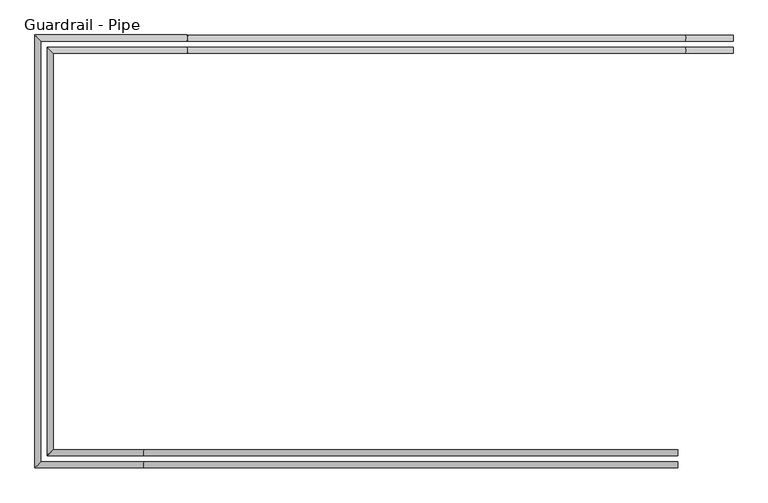
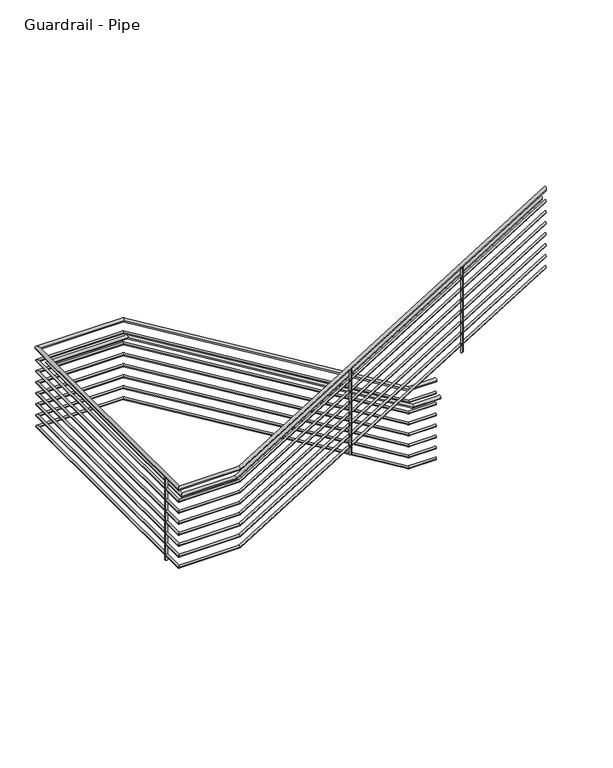
"""IFC4 building model written with IfcOpenShell, lengths in millimetres: railing geometry, Guardrail - Pipe."""

from ifc_helpers import new_model, si_unit, point, frame, frame_2d, origin, place, context, project, spatial, circle_curve, ellipse_curve, trimmed, segment, composite_curve, outline, extrude, source, transform, mapped, element, save
from ifc_brep_helpers import plane_surface, cylinder_surface, advanced_brep


def guardrail_pipe_35ee3cf1(model_context):
    return source(origin(), model_context, "Body", "SolidModel", [
        advanced_brep(
        [(-10251.0564309, 4025.1651259, 1047.75), (-10251.0564309, 4063.2651259, 1047.75), (-10552.0376568, 4025.1651259, 1047.75), (-10552.0376568, 4063.2651259, 1047.75), (-13675.7379987, 4025.1651259, 2942.8108696), (-13675.7379987, 4063.2651259, 2942.8108696), (-14591.1612561, 4025.1651259, 2942.8108696), (-14629.2612561, 4063.2651259, 2942.8108696), (-14591.1612561, 1386.0904418, 2942.8108696), (-14629.2612561, 1347.9904418, 2942.8108696), (-13944.4102309, 1386.0904418, 2942.8108696), (-13944.4102309, 1347.9904418, 2942.8108696), (-10597.0112561, 1386.0904418, 5006.8197236), (-10597.0112561, 1347.9904418, 5006.8197236)],
        [
            (0, 1, circle_curve(frame((-10251.0564309, 4044.2151259, 1047.75), z_axis=(1.0, 0.0, 0.0), x_axis=(0.0, 1.0, 0.0)), 19.05)),
            (1, 0, circle_curve(frame((-10251.0564309, 4044.2151259, 1047.75), z_axis=(1.0, 0.0, 0.0), x_axis=(0.0, 1.0, 0.0)), 19.05)),
            (0, 2),
            (2, 3, ellipse_curve(frame((-10552.0376568, 4044.2151259, 1047.75), z_axis=(0.9630592220508967, 0.0, -0.269289685696875), x_axis=(0.2692896856968749, 0.0, 0.9630592220508967)), 19.780715, 19.05)),
            (3, 1),
            (3, 2, ellipse_curve(frame((-10552.0376568, 4044.2151259, 1047.75), z_axis=(0.9630592220508967, 0.0, -0.269289685696875), x_axis=(0.2692896856968749, 0.0, 0.9630592220508967)), 19.780715, 19.05)),
            (2, 4),
            (4, 5, ellipse_curve(frame((-13675.7379987, 4044.2151259, 2942.8108696), z_axis=(0.9630592220508967, 0.0, -0.269289685696875), x_axis=(-0.2692896856968753, 0.0, -0.9630592220508964)), 19.780715, 19.05)),
            (5, 3),
            (5, 4, ellipse_curve(frame((-13675.7379987, 4044.2151259, 2942.8108696), z_axis=(0.9630592220508967, 0.0, -0.269289685696875), x_axis=(-0.2692896856968753, 0.0, -0.9630592220508964)), 19.780715, 19.05)),
            (4, 6),
            (6, 7, ellipse_curve(frame((-14610.2112561, 4044.2151259, 2942.8108696), z_axis=(0.7071067811865449, 0.70710678118655, 0.0), x_axis=(0.7071067811865501, -0.7071067811865448, 0.0)), 26.9407684, 19.05)),
            (7, 5),
            (7, 6, ellipse_curve(frame((-14610.2112561, 4044.2151259, 2942.8108696), z_axis=(0.7071067811865449, 0.70710678118655, 0.0), x_axis=(0.7071067811865501, -0.7071067811865448, 0.0)), 26.9407684, 19.05)),
            (6, 8),
            (8, 9, ellipse_curve(frame((-14610.2112561, 1367.0404418, 2942.8108696), z_axis=(-0.7071067811865501, 0.707106781186545, 0.0), x_axis=(0.7071067811865451, 0.70710678118655, 0.0)), 26.9407684, 19.05)),
            (9, 7),
            (9, 8, ellipse_curve(frame((-14610.2112561, 1367.0404418, 2942.8108696), z_axis=(-0.7071067811865501, 0.707106781186545, 0.0), x_axis=(0.7071067811865451, 0.70710678118655, 0.0)), 26.9407684, 19.05)),
            (8, 10),
            (10, 11, ellipse_curve(frame((-13944.4102309, 1367.0404418, 2942.8108696), z_axis=(-0.9620800176482948, 0.0, -0.2727673727590178), x_axis=(-0.27276737275901747, 0.0, 0.9620800176482948)), 19.8008478, 19.05)),
            (11, 9),
            (11, 10, ellipse_curve(frame((-13944.4102309, 1367.0404418, 2942.8108696), z_axis=(-0.9620800176482948, 0.0, -0.2727673727590178), x_axis=(-0.27276737275901747, 0.0, 0.9620800176482948)), 19.8008478, 19.05)),
            (12, 13, ellipse_curve(frame((-10597.0112561, 1367.0404418, 5006.8197236), z_axis=(1.0, 0.0, 0.0), x_axis=(0.0, 0.0, -1.0)), 22.3802764, 19.05)),
            (13, 12, ellipse_curve(frame((-10597.0112561, 1367.0404418, 5006.8197236), z_axis=(1.0, 0.0, 0.0), x_axis=(0.0, 0.0, -1.0)), 22.3802764, 19.05)),
            (10, 12),
            (13, 11),
        ],
        [
            plane_surface(frame((-10251.0564309, 4044.2151259, 1066.8), z_axis=(1.0, 0.0, 0.0), x_axis=(0.0, -1.0, 0.0))),
            cylinder_surface(frame((-10251.0564309, 4044.2151259, 1047.75), z_axis=(1.0, 0.0, 0.0), x_axis=(0.0, 1.0, 0.0)), 19.05),
            cylinder_surface(frame((-10556.5918412, 4044.2151259, 1050.5128952), z_axis=(0.8549661303545566, 0.0, -0.5186838304271258), x_axis=(0.0, 1.0, 0.0)), 19.05),
            cylinder_surface(frame((-13670.4112561, 4044.2151259, 2942.8108696), z_axis=(1.0, 0.0, 0.0), x_axis=(0.0, 1.0, 0.0)), 19.05),
            cylinder_surface(frame((-14610.2112561, 4044.2151259, 2942.8108696), z_axis=(0.0, 1.0, 0.0), x_axis=(-1.0, 0.0, 0.0)), 19.05),
            cylinder_surface(frame((-14610.2112561, 1367.0404418, 2942.8108696), z_axis=(-1.0, 0.0, 0.0), x_axis=(0.0, -1.0, 0.0)), 19.05),
            plane_surface(frame((-10597.0112561, 1367.0404418, 5029.2), z_axis=(1.0, 0.0, 0.0), x_axis=(0.0, 1.0, 0.0))),
            cylinder_surface(frame((-13939.8129003, 1367.0404418, 2945.6455873), z_axis=(-0.8511959207162861, 0.0, -0.5248480775957496), x_axis=(0.0, -1.0, 0.0)), 19.05),
        ],
        [
            (0, [[1, 2]]),
            (1, [[-1, 3, 4, 5]]),
            (1, [[-2, -5, 6, -3]]),
            (2, [[-4, 7, 8, 9]]),
            (2, [[-6, -9, 10, -7]]),
            (3, [[-8, 11, 12, 13]]),
            (3, [[-10, -13, 14, -11]]),
            (4, [[-12, 15, 16, 17]]),
            (4, [[-14, -17, 18, -15]]),
            (5, [[-16, 19, 20, 21]]),
            (5, [[-18, -21, 22, -19]]),
            (6, [[23, 24]]),
            (7, [[-20, 25, -24, 26]]),
            (7, [[-22, -26, -23, -25]]),
        ],
    ),
        advanced_brep(
        [(-10251.0564309, 4031.5151259, 901.7), (-10251.0564309, 4056.9151259, 901.7), (-10550.2620759, 4031.5151259, 901.7), (-10550.2620759, 4056.9151259, 901.7), (-13673.9624178, 4031.5151259, 2796.7608696), (-13673.9624178, 4056.9151259, 2796.7608696), (-14597.5112561, 4031.5151259, 2796.7608696), (-14622.9112561, 4056.9151259, 2796.7608696), (-14597.5112561, 1379.7404418, 2796.7608696), (-14622.9112561, 1354.3404418, 2796.7608696), (-13946.2105726, 1379.7404418, 2796.7608696), (-13946.2105726, 1354.3404418, 2796.7608696), (-10597.0112561, 1379.7404418, 4861.8798157), (-10597.0112561, 1354.3404418, 4861.8798157)],
        [
            (0, 1, circle_curve(frame((-10251.0564309, 4044.2151259, 901.7), z_axis=(1.0, 0.0, 0.0), x_axis=(0.0, 1.0, 0.0)), 12.7)),
            (1, 0, circle_curve(frame((-10251.0564309, 4044.2151259, 901.7), z_axis=(1.0, 0.0, 0.0), x_axis=(0.0, 1.0, 0.0)), 12.7)),
            (0, 2),
            (2, 3, ellipse_curve(frame((-10550.2620759, 4044.2151259, 901.7), z_axis=(0.9630592220508967, 0.0, -0.269289685696875), x_axis=(0.2692896856968749, 0.0, 0.9630592220508967)), 13.1871433, 12.7)),
            (3, 1),
            (3, 2, ellipse_curve(frame((-10550.2620759, 4044.2151259, 901.7), z_axis=(0.9630592220508967, 0.0, -0.269289685696875), x_axis=(0.2692896856968749, 0.0, 0.9630592220508967)), 13.1871433, 12.7)),
            (2, 4),
            (4, 5, ellipse_curve(frame((-13673.9624178, 4044.2151259, 2796.7608696), z_axis=(0.9630592220508967, 0.0, -0.269289685696875), x_axis=(-0.2692896856968753, 0.0, -0.9630592220508964)), 13.1871433, 12.7)),
            (5, 3),
            (5, 4, ellipse_curve(frame((-13673.9624178, 4044.2151259, 2796.7608696), z_axis=(0.9630592220508967, 0.0, -0.269289685696875), x_axis=(-0.2692896856968753, 0.0, -0.9630592220508964)), 13.1871433, 12.7)),
            (4, 6),
            (6, 7, ellipse_curve(frame((-14610.2112561, 4044.2151259, 2796.7608696), z_axis=(0.7071067811865449, 0.70710678118655, 0.0), x_axis=(0.7071067811865501, -0.7071067811865448, 0.0)), 17.9605122, 12.7)),
            (7, 5),
            (7, 6, ellipse_curve(frame((-14610.2112561, 4044.2151259, 2796.7608696), z_axis=(0.7071067811865449, 0.70710678118655, 0.0), x_axis=(0.7071067811865501, -0.7071067811865448, 0.0)), 17.9605122, 12.7)),
            (6, 8),
            (8, 9, ellipse_curve(frame((-14610.2112561, 1367.0404418, 2796.7608696), z_axis=(-0.7071067811865501, 0.707106781186545, 0.0), x_axis=(0.7071067811865451, 0.70710678118655, 0.0)), 17.9605122, 12.7)),
            (9, 7),
            (9, 8, ellipse_curve(frame((-14610.2112561, 1367.0404418, 2796.7608696), z_axis=(-0.7071067811865501, 0.707106781186545, 0.0), x_axis=(0.7071067811865451, 0.70710678118655, 0.0)), 17.9605122, 12.7)),
            (8, 10),
            (10, 11, ellipse_curve(frame((-13946.2105726, 1367.0404418, 2796.7608696), z_axis=(-0.9620800176482948, 0.0, -0.2727673727590178), x_axis=(-0.27276737275901747, 0.0, 0.9620800176482948)), 13.2005652, 12.7)),
            (11, 9),
            (11, 10, ellipse_curve(frame((-13946.2105726, 1367.0404418, 2796.7608696), z_axis=(-0.9620800176482948, 0.0, -0.2727673727590178), x_axis=(-0.27276737275901747, 0.0, 0.9620800176482948)), 13.2005652, 12.7)),
            (12, 13, ellipse_curve(frame((-10597.0112561, 1367.0404418, 4861.8798157), z_axis=(1.0, 0.0, 0.0), x_axis=(0.0, 0.0, -1.0)), 14.9201843, 12.7)),
            (13, 12, ellipse_curve(frame((-10597.0112561, 1367.0404418, 4861.8798157), z_axis=(1.0, 0.0, 0.0), x_axis=(0.0, 0.0, -1.0)), 14.9201843, 12.7)),
            (10, 12),
            (13, 11),
        ],
        [
            plane_surface(frame((-10251.0564309, 4044.2151259, 914.4), z_axis=(1.0, 0.0, 0.0), x_axis=(0.0, -1.0, 0.0))),
            cylinder_surface(frame((-10251.0564309, 4044.2151259, 901.7), z_axis=(1.0, 0.0, 0.0), x_axis=(0.0, 1.0, 0.0)), 12.7),
            cylinder_surface(frame((-10553.2981989, 4044.2151259, 903.5419301), z_axis=(0.8549661303545566, 0.0, -0.5186838304271258), x_axis=(0.0, 1.0, 0.0)), 12.7),
            cylinder_surface(frame((-13670.4112561, 4044.2151259, 2796.7608696), z_axis=(1.0, 0.0, 0.0), x_axis=(0.0, 1.0, 0.0)), 12.7),
            cylinder_surface(frame((-14610.2112561, 4044.2151259, 2796.7608696), z_axis=(0.0, 1.0, 0.0), x_axis=(-1.0, 0.0, 0.0)), 12.7),
            cylinder_surface(frame((-14610.2112561, 1367.0404418, 2796.7608696), z_axis=(-1.0, 0.0, 0.0), x_axis=(0.0, -1.0, 0.0)), 12.7),
            plane_surface(frame((-10597.0112561, 1367.0404418, 4876.8), z_axis=(1.0, 0.0, 0.0), x_axis=(0.0, 1.0, 0.0))),
            cylinder_surface(frame((-13943.1456855, 1367.0404418, 2798.6506814), z_axis=(-0.8511959207162861, 0.0, -0.5248480775957496), x_axis=(0.0, -1.0, 0.0)), 12.7),
        ],
        [
            (0, [[1, 2]]),
            (1, [[-1, 3, 4, 5]]),
            (1, [[-2, -5, 6, -3]]),
            (2, [[-4, 7, 8, 9]]),
            (2, [[-6, -9, 10, -7]]),
            (3, [[-8, 11, 12, 13]]),
            (3, [[-10, -13, 14, -11]]),
            (4, [[-12, 15, 16, 17]]),
            (4, [[-14, -17, 18, -15]]),
            (5, [[-16, 19, 20, 21]]),
            (5, [[-18, -21, 22, -19]]),
            (6, [[23, 24]]),
            (7, [[-20, 25, -24, 26]]),
            (7, [[-22, -26, -23, -25]]),
        ],
    ),
        advanced_brep(
        [(-10251.0564309, 3948.9651259, 895.35), (-10251.0564309, 3987.0651259, 895.35), (-10552.0376568, 3948.9651259, 895.35), (-10552.0376568, 3987.0651259, 895.35), (-13675.7379987, 3948.9651259, 2790.4108696), (-13675.7379987, 3987.0651259, 2790.4108696), (-14514.9612561, 3948.9651259, 2790.4108696), (-14553.0612561, 3987.0651259, 2790.4108696), (-14514.9612561, 1462.2904418, 2790.4108696), (-14553.0612561, 1424.1904418, 2790.4108696), (-13944.4102309, 1462.2904418, 2790.4108696), (-13944.4102309, 1424.1904418, 2790.4108696), (-10597.0112561, 1462.2904418, 4854.4197236), (-10597.0112561, 1424.1904418, 4854.4197236)],
        [
            (0, 1, circle_curve(frame((-10251.0564309, 3968.0151259, 895.35), z_axis=(1.0, 0.0, 0.0), x_axis=(0.0, 1.0, 0.0)), 19.05)),
            (1, 0, circle_curve(frame((-10251.0564309, 3968.0151259, 895.35), z_axis=(1.0, 0.0, 0.0), x_axis=(0.0, 1.0, 0.0)), 19.05)),
            (0, 2),
            (2, 3, ellipse_curve(frame((-10552.0376568, 3968.0151259, 895.35), z_axis=(0.9630592220508967, 0.0, -0.269289685696875), x_axis=(0.2692896856968749, 0.0, 0.9630592220508967)), 19.780715, 19.05)),
            (3, 1),
            (3, 2, ellipse_curve(frame((-10552.0376568, 3968.0151259, 895.35), z_axis=(0.9630592220508967, 0.0, -0.269289685696875), x_axis=(0.2692896856968749, 0.0, 0.9630592220508967)), 19.780715, 19.05)),
            (2, 4),
            (4, 5, ellipse_curve(frame((-13675.7379987, 3968.0151259, 2790.4108696), z_axis=(0.9630592220508967, 0.0, -0.269289685696875), x_axis=(-0.2692896856968753, 0.0, -0.9630592220508964)), 19.780715, 19.05)),
            (5, 3),
            (5, 4, ellipse_curve(frame((-13675.7379987, 3968.0151259, 2790.4108696), z_axis=(0.9630592220508967, 0.0, -0.269289685696875), x_axis=(-0.2692896856968753, 0.0, -0.9630592220508964)), 19.780715, 19.05)),
            (4, 6),
            (6, 7, ellipse_curve(frame((-14534.0112561, 3968.0151259, 2790.4108696), z_axis=(0.7071067811865449, 0.70710678118655, 0.0), x_axis=(0.7071067811865501, -0.7071067811865448, 0.0)), 26.9407684, 19.05)),
            (7, 5),
            (7, 6, ellipse_curve(frame((-14534.0112561, 3968.0151259, 2790.4108696), z_axis=(0.7071067811865449, 0.70710678118655, 0.0), x_axis=(0.7071067811865501, -0.7071067811865448, 0.0)), 26.9407684, 19.05)),
            (6, 8),
            (8, 9, ellipse_curve(frame((-14534.0112561, 1443.2404418, 2790.4108696), z_axis=(-0.7071067811865501, 0.707106781186545, 0.0), x_axis=(0.7071067811865451, 0.70710678118655, 0.0)), 26.9407684, 19.05)),
            (9, 7),
            (9, 8, ellipse_curve(frame((-14534.0112561, 1443.2404418, 2790.4108696), z_axis=(-0.7071067811865501, 0.707106781186545, 0.0), x_axis=(0.7071067811865451, 0.70710678118655, 0.0)), 26.9407684, 19.05)),
            (8, 10),
            (10, 11, ellipse_curve(frame((-13944.4102309, 1443.2404418, 2790.4108696), z_axis=(-0.9620800176482948, 0.0, -0.2727673727590178), x_axis=(-0.27276737275901747, 0.0, 0.9620800176482948)), 19.8008478, 19.05)),
            (11, 9),
            (11, 10, ellipse_curve(frame((-13944.4102309, 1443.2404418, 2790.4108696), z_axis=(-0.9620800176482948, 0.0, -0.2727673727590178), x_axis=(-0.27276737275901747, 0.0, 0.9620800176482948)), 19.8008478, 19.05)),
            (12, 13, ellipse_curve(frame((-10597.0112561, 1443.2404418, 4854.4197236), z_axis=(1.0, 0.0, 0.0), x_axis=(0.0, 0.0, -1.0)), 22.3802764, 19.05)),
            (13, 12, ellipse_curve(frame((-10597.0112561, 1443.2404418, 4854.4197236), z_axis=(1.0, 0.0, 0.0), x_axis=(0.0, 0.0, -1.0)), 22.3802764, 19.05)),
            (10, 12),
            (13, 11),
        ],
        [
            plane_surface(frame((-10251.0564309, 3968.0151259, 914.4), z_axis=(1.0, 0.0, 0.0), x_axis=(0.0, -1.0, 0.0))),
            cylinder_surface(frame((-10251.0564309, 3968.0151259, 895.35), z_axis=(1.0, 0.0, 0.0), x_axis=(0.0, 1.0, 0.0)), 19.05),
            cylinder_surface(frame((-10556.5918412, 3968.0151259, 898.1128952), z_axis=(0.8549661303545566, 0.0, -0.5186838304271258), x_axis=(0.0, 1.0, 0.0)), 19.05),
            cylinder_surface(frame((-13670.4112561, 3968.0151259, 2790.4108696), z_axis=(1.0, 0.0, 0.0), x_axis=(0.0, 1.0, 0.0)), 19.05),
            cylinder_surface(frame((-14534.0112561, 3968.0151259, 2790.4108696), z_axis=(0.0, 1.0, 0.0), x_axis=(-1.0, 0.0, 0.0)), 19.05),
            cylinder_surface(frame((-14534.0112561, 1443.2404418, 2790.4108696), z_axis=(-1.0, 0.0, 0.0), x_axis=(0.0, -1.0, 0.0)), 19.05),
            plane_surface(frame((-10597.0112561, 1443.2404418, 4876.8), z_axis=(1.0, 0.0, 0.0), x_axis=(0.0, 1.0, 0.0))),
            cylinder_surface(frame((-13939.8129003, 1443.2404418, 2793.2455873), z_axis=(-0.8511959207162861, 0.0, -0.5248480775957496), x_axis=(0.0, -1.0, 0.0)), 19.05),
        ],
        [
            (0, [[1, 2]]),
            (1, [[-1, 3, 4, 5]]),
            (1, [[-2, -5, 6, -3]]),
            (2, [[-4, 7, 8, 9]]),
            (2, [[-6, -9, 10, -7]]),
            (3, [[-8, 11, 12, 13]]),
            (3, [[-10, -13, 14, -11]]),
            (4, [[-12, 15, 16, 17]]),
            (4, [[-14, -17, 18, -15]]),
            (5, [[-16, 19, 20, 21]]),
            (5, [[-18, -21, 22, -19]]),
            (6, [[23, 24]]),
            (7, [[-20, 25, -24, 26]]),
            (7, [[-22, -26, -23, -25]]),
        ],
    ),
        advanced_brep(
        [(-10251.0564309, 4031.5151259, 774.7), (-10251.0564309, 4056.9151259, 774.7), (-10550.2620759, 4031.5151259, 774.7), (-10550.2620759, 4056.9151259, 774.7), (-13673.9624178, 4031.5151259, 2669.7608696), (-13673.9624178, 4056.9151259, 2669.7608696), (-14597.5112561, 4031.5151259, 2669.7608696), (-14622.9112561, 4056.9151259, 2669.7608696), (-14597.5112561, 1379.7404418, 2669.7608696), (-14622.9112561, 1354.3404418, 2669.7608696), (-13946.2105726, 1379.7404418, 2669.7608696), (-13946.2105726, 1354.3404418, 2669.7608696), (-10597.0112561, 1379.7404418, 4734.8798157), (-10597.0112561, 1354.3404418, 4734.8798157)],
        [
            (0, 1, circle_curve(frame((-10251.0564309, 4044.2151259, 774.7), z_axis=(1.0, 0.0, 0.0), x_axis=(0.0, 1.0, 0.0)), 12.7)),
            (1, 0, circle_curve(frame((-10251.0564309, 4044.2151259, 774.7), z_axis=(1.0, 0.0, 0.0), x_axis=(0.0, 1.0, 0.0)), 12.7)),
            (0, 2),
            (2, 3, ellipse_curve(frame((-10550.2620759, 4044.2151259, 774.7), z_axis=(0.9630592220508967, 0.0, -0.26928968569687495), x_axis=(0.269289685696875, 0.0, 0.9630592220508968)), 13.1871433, 12.7)),
            (3, 1),
            (3, 2, ellipse_curve(frame((-10550.2620759, 4044.2151259, 774.7), z_axis=(0.9630592220508967, 0.0, -0.26928968569687495), x_axis=(0.269289685696875, 0.0, 0.9630592220508968)), 13.1871433, 12.7)),
            (2, 4),
            (4, 5, ellipse_curve(frame((-13673.9624178, 4044.2151259, 2669.7608696), z_axis=(0.9630592220508967, 0.0, -0.26928968569687495), x_axis=(-0.269289685696875, 0.0, -0.9630592220508968)), 13.1871433, 12.7)),
            (5, 3),
            (5, 4, ellipse_curve(frame((-13673.9624178, 4044.2151259, 2669.7608696), z_axis=(0.9630592220508967, 0.0, -0.26928968569687495), x_axis=(-0.269289685696875, 0.0, -0.9630592220508968)), 13.1871433, 12.7)),
            (4, 6),
            (6, 7, ellipse_curve(frame((-14610.2112561, 4044.2151259, 2669.7608696), z_axis=(0.7071067811865449, 0.70710678118655, 0.0), x_axis=(0.7071067811865501, -0.7071067811865448, 0.0)), 17.9605122, 12.7)),
            (7, 5),
            (7, 6, ellipse_curve(frame((-14610.2112561, 4044.2151259, 2669.7608696), z_axis=(0.7071067811865449, 0.70710678118655, 0.0), x_axis=(0.7071067811865501, -0.7071067811865448, 0.0)), 17.9605122, 12.7)),
            (6, 8),
            (8, 9, ellipse_curve(frame((-14610.2112561, 1367.0404418, 2669.7608696), z_axis=(-0.7071067811865501, 0.707106781186545, 0.0), x_axis=(0.7071067811865451, 0.70710678118655, 0.0)), 17.9605122, 12.7)),
            (9, 7),
            (9, 8, ellipse_curve(frame((-14610.2112561, 1367.0404418, 2669.7608696), z_axis=(-0.7071067811865501, 0.707106781186545, 0.0), x_axis=(0.7071067811865451, 0.70710678118655, 0.0)), 17.9605122, 12.7)),
            (8, 10),
            (10, 11, ellipse_curve(frame((-13946.2105726, 1367.0404418, 2669.7608696), z_axis=(-0.9620800176482948, 0.0, -0.2727673727590178), x_axis=(-0.27276737275901747, 0.0, 0.9620800176482948)), 13.2005652, 12.7)),
            (11, 9),
            (11, 10, ellipse_curve(frame((-13946.2105726, 1367.0404418, 2669.7608696), z_axis=(-0.9620800176482948, 0.0, -0.2727673727590178), x_axis=(-0.27276737275901747, 0.0, 0.9620800176482948)), 13.2005652, 12.7)),
            (12, 13, ellipse_curve(frame((-10597.0112561, 1367.0404418, 4734.8798157), z_axis=(1.0, 0.0, 0.0), x_axis=(0.0, 0.0, -1.0)), 14.9201843, 12.7)),
            (13, 12, ellipse_curve(frame((-10597.0112561, 1367.0404418, 4734.8798157), z_axis=(1.0, 0.0, 0.0), x_axis=(0.0, 0.0, -1.0)), 14.9201843, 12.7)),
            (10, 12),
            (13, 11),
        ],
        [
            plane_surface(frame((-10251.0564309, 4044.2151259, 787.4), z_axis=(1.0, 0.0, 0.0), x_axis=(0.0, -1.0, 0.0))),
            cylinder_surface(frame((-10251.0564309, 4044.2151259, 774.7), z_axis=(1.0, 0.0, 0.0), x_axis=(0.0, 1.0, 0.0)), 12.7),
            cylinder_surface(frame((-10553.2981989, 4044.2151259, 776.5419301), z_axis=(0.8549661303545566, 0.0, -0.5186838304271257), x_axis=(0.0, 1.0, 0.0)), 12.7),
            cylinder_surface(frame((-13670.4112561, 4044.2151259, 2669.7608696), z_axis=(1.0, 0.0, 0.0), x_axis=(0.0, 1.0, 0.0)), 12.7),
            cylinder_surface(frame((-14610.2112561, 4044.2151259, 2669.7608696), z_axis=(0.0, 1.0, 0.0), x_axis=(-1.0, 0.0, 0.0)), 12.7),
            cylinder_surface(frame((-14610.2112561, 1367.0404418, 2669.7608696), z_axis=(-1.0, 0.0, 0.0), x_axis=(0.0, -1.0, 0.0)), 12.7),
            plane_surface(frame((-10597.0112561, 1367.0404418, 4749.8), z_axis=(1.0, 0.0, 0.0), x_axis=(0.0, 1.0, 0.0))),
            cylinder_surface(frame((-13943.1456855, 1367.0404418, 2671.6506814), z_axis=(-0.8511959207162861, 0.0, -0.5248480775957496), x_axis=(0.0, -1.0, 0.0)), 12.7),
        ],
        [
            (0, [[1, 2]]),
            (1, [[-1, 3, 4, 5]]),
            (1, [[-2, -5, 6, -3]]),
            (2, [[-4, 7, 8, 9]]),
            (2, [[-6, -9, 10, -7]]),
            (3, [[-8, 11, 12, 13]]),
            (3, [[-10, -13, 14, -11]]),
            (4, [[-12, 15, 16, 17]]),
            (4, [[-14, -17, 18, -15]]),
            (5, [[-16, 19, 20, 21]]),
            (5, [[-18, -21, 22, -19]]),
            (6, [[23, 24]]),
            (7, [[-20, 25, -24, 26]]),
            (7, [[-22, -26, -23, -25]]),
        ],
    ),
        advanced_brep(
        [(-10251.0564309, 4031.5151259, 647.7), (-10251.0564309, 4056.9151259, 647.7), (-10550.2620759, 4031.5151259, 647.7), (-10550.2620759, 4056.9151259, 647.7), (-13673.9624178, 4031.5151259, 2542.7608696), (-13673.9624178, 4056.9151259, 2542.7608696), (-14597.5112561, 4031.5151259, 2542.7608696), (-14622.9112561, 4056.9151259, 2542.7608696), (-14597.5112561, 1379.7404418, 2542.7608696), (-14622.9112561, 1354.3404418, 2542.7608696), (-13946.2105726, 1379.7404418, 2542.7608696), (-13946.2105726, 1354.3404418, 2542.7608696), (-10597.0112561, 1379.7404418, 4607.8798157), (-10597.0112561, 1354.3404418, 4607.8798157)],
        [
            (0, 1, circle_curve(frame((-10251.0564309, 4044.2151259, 647.7), z_axis=(1.0, 0.0, 0.0), x_axis=(0.0, 1.0, 0.0)), 12.7)),
            (1, 0, circle_curve(frame((-10251.0564309, 4044.2151259, 647.7), z_axis=(1.0, 0.0, 0.0), x_axis=(0.0, 1.0, 0.0)), 12.7)),
            (0, 2),
            (2, 3, ellipse_curve(frame((-10550.2620759, 4044.2151259, 647.7), z_axis=(0.9630592220508967, 0.0, -0.269289685696875), x_axis=(0.2692896856968749, 0.0, 0.9630592220508967)), 13.1871433, 12.7)),
            (3, 1),
            (3, 2, ellipse_curve(frame((-10550.2620759, 4044.2151259, 647.7), z_axis=(0.9630592220508967, 0.0, -0.269289685696875), x_axis=(0.2692896856968749, 0.0, 0.9630592220508967)), 13.1871433, 12.7)),
            (2, 4),
            (4, 5, ellipse_curve(frame((-13673.9624178, 4044.2151259, 2542.7608696), z_axis=(0.9630592220508967, 0.0, -0.269289685696875), x_axis=(-0.2692896856968753, 0.0, -0.9630592220508964)), 13.1871433, 12.7)),
            (5, 3),
            (5, 4, ellipse_curve(frame((-13673.9624178, 4044.2151259, 2542.7608696), z_axis=(0.9630592220508967, 0.0, -0.269289685696875), x_axis=(-0.2692896856968753, 0.0, -0.9630592220508964)), 13.1871433, 12.7)),
            (4, 6),
            (6, 7, ellipse_curve(frame((-14610.2112561, 4044.2151259, 2542.7608696), z_axis=(0.7071067811865449, 0.70710678118655, 0.0), x_axis=(0.7071067811865501, -0.7071067811865448, 0.0)), 17.9605122, 12.7)),
            (7, 5),
            (7, 6, ellipse_curve(frame((-14610.2112561, 4044.2151259, 2542.7608696), z_axis=(0.7071067811865449, 0.70710678118655, 0.0), x_axis=(0.7071067811865501, -0.7071067811865448, 0.0)), 17.9605122, 12.7)),
            (6, 8),
            (8, 9, ellipse_curve(frame((-14610.2112561, 1367.0404418, 2542.7608696), z_axis=(-0.7071067811865501, 0.707106781186545, 0.0), x_axis=(0.7071067811865451, 0.70710678118655, 0.0)), 17.9605122, 12.7)),
            (9, 7),
            (9, 8, ellipse_curve(frame((-14610.2112561, 1367.0404418, 2542.7608696), z_axis=(-0.7071067811865501, 0.707106781186545, 0.0), x_axis=(0.7071067811865451, 0.70710678118655, 0.0)), 17.9605122, 12.7)),
            (8, 10),
            (10, 11, ellipse_curve(frame((-13946.2105726, 1367.0404418, 2542.7608696), z_axis=(-0.9620800176482948, 0.0, -0.2727673727590178), x_axis=(-0.27276737275901747, 0.0, 0.9620800176482948)), 13.2005652, 12.7)),
            (11, 9),
            (11, 10, ellipse_curve(frame((-13946.2105726, 1367.0404418, 2542.7608696), z_axis=(-0.9620800176482948, 0.0, -0.2727673727590178), x_axis=(-0.27276737275901747, 0.0, 0.9620800176482948)), 13.2005652, 12.7)),
            (12, 13, ellipse_curve(frame((-10597.0112561, 1367.0404418, 4607.8798157), z_axis=(1.0, 0.0, 0.0), x_axis=(0.0, 0.0, -1.0)), 14.9201843, 12.7)),
            (13, 12, ellipse_curve(frame((-10597.0112561, 1367.0404418, 4607.8798157), z_axis=(1.0, 0.0, 0.0), x_axis=(0.0, 0.0, -1.0)), 14.9201843, 12.7)),
            (10, 12),
            (13, 11),
        ],
        [
            plane_surface(frame((-10251.0564309, 4044.2151259, 660.4), z_axis=(1.0, 0.0, 0.0), x_axis=(0.0, -1.0, 0.0))),
            cylinder_surface(frame((-10251.0564309, 4044.2151259, 647.7), z_axis=(1.0, 0.0, 0.0), x_axis=(0.0, 1.0, 0.0)), 12.7),
            cylinder_surface(frame((-10553.2981989, 4044.2151259, 649.5419301), z_axis=(0.8549661303545566, 0.0, -0.5186838304271258), x_axis=(0.0, 1.0, 0.0)), 12.7),
            cylinder_surface(frame((-13670.4112561, 4044.2151259, 2542.7608696), z_axis=(1.0, 0.0, 0.0), x_axis=(0.0, 1.0, 0.0)), 12.7),
            cylinder_surface(frame((-14610.2112561, 4044.2151259, 2542.7608696), z_axis=(0.0, 1.0, 0.0), x_axis=(-1.0, 0.0, 0.0)), 12.7),
            cylinder_surface(frame((-14610.2112561, 1367.0404418, 2542.7608696), z_axis=(-1.0, 0.0, 0.0), x_axis=(0.0, -1.0, 0.0)), 12.7),
            plane_surface(frame((-10597.0112561, 1367.0404418, 4622.8), z_axis=(1.0, 0.0, 0.0), x_axis=(0.0, 1.0, 0.0))),
            cylinder_surface(frame((-13943.1456855, 1367.0404418, 2544.6506814), z_axis=(-0.8511959207162861, 0.0, -0.5248480775957496), x_axis=(0.0, -1.0, 0.0)), 12.7),
        ],
        [
            (0, [[1, 2]]),
            (1, [[-1, 3, 4, 5]]),
            (1, [[-2, -5, 6, -3]]),
            (2, [[-4, 7, 8, 9]]),
            (2, [[-6, -9, 10, -7]]),
            (3, [[-8, 11, 12, 13]]),
            (3, [[-10, -13, 14, -11]]),
            (4, [[-12, 15, 16, 17]]),
            (4, [[-14, -17, 18, -15]]),
            (5, [[-16, 19, 20, 21]]),
            (5, [[-18, -21, 22, -19]]),
            (6, [[23, 24]]),
            (7, [[-20, 25, -24, 26]]),
            (7, [[-22, -26, -23, -25]]),
        ],
    ),
        advanced_brep(
        [(-10251.0564309, 4031.5151259, 520.7), (-10251.0564309, 4056.9151259, 520.7), (-10550.2620759, 4031.5151259, 520.7), (-10550.2620759, 4056.9151259, 520.7), (-13673.9624178, 4031.5151259, 2415.7608696), (-13673.9624178, 4056.9151259, 2415.7608696), (-14597.5112561, 4031.5151259, 2415.7608696), (-14622.9112561, 4056.9151259, 2415.7608696), (-14597.5112561, 1379.7404418, 2415.7608696), (-14622.9112561, 1354.3404418, 2415.7608696), (-13946.2105726, 1379.7404418, 2415.7608696), (-13946.2105726, 1354.3404418, 2415.7608696), (-10597.0112561, 1379.7404418, 4480.8798157), (-10597.0112561, 1354.3404418, 4480.8798157)],
        [
            (0, 1, circle_curve(frame((-10251.0564309, 4044.2151259, 520.7), z_axis=(1.0, 0.0, 0.0), x_axis=(0.0, 1.0, 0.0)), 12.7)),
            (1, 0, circle_curve(frame((-10251.0564309, 4044.2151259, 520.7), z_axis=(1.0, 0.0, 0.0), x_axis=(0.0, 1.0, 0.0)), 12.7)),
            (0, 2),
            (2, 3, ellipse_curve(frame((-10550.2620759, 4044.2151259, 520.7), z_axis=(0.9630592220508967, 0.0, -0.269289685696875), x_axis=(0.2692896856968749, 0.0, 0.9630592220508967)), 13.1871433, 12.7)),
            (3, 1),
            (3, 2, ellipse_curve(frame((-10550.2620759, 4044.2151259, 520.7), z_axis=(0.9630592220508967, 0.0, -0.269289685696875), x_axis=(0.2692896856968749, 0.0, 0.9630592220508967)), 13.1871433, 12.7)),
            (2, 4),
            (4, 5, ellipse_curve(frame((-13673.9624178, 4044.2151259, 2415.7608696), z_axis=(0.9630592220508967, 0.0, -0.269289685696875), x_axis=(-0.2692896856968753, 0.0, -0.9630592220508964)), 13.1871433, 12.7)),
            (5, 3),
            (5, 4, ellipse_curve(frame((-13673.9624178, 4044.2151259, 2415.7608696), z_axis=(0.9630592220508967, 0.0, -0.269289685696875), x_axis=(-0.2692896856968753, 0.0, -0.9630592220508964)), 13.1871433, 12.7)),
            (4, 6),
            (6, 7, ellipse_curve(frame((-14610.2112561, 4044.2151259, 2415.7608696), z_axis=(0.7071067811865449, 0.70710678118655, 0.0), x_axis=(0.7071067811865501, -0.7071067811865448, 0.0)), 17.9605122, 12.7)),
            (7, 5),
            (7, 6, ellipse_curve(frame((-14610.2112561, 4044.2151259, 2415.7608696), z_axis=(0.7071067811865449, 0.70710678118655, 0.0), x_axis=(0.7071067811865501, -0.7071067811865448, 0.0)), 17.9605122, 12.7)),
            (6, 8),
            (8, 9, ellipse_curve(frame((-14610.2112561, 1367.0404418, 2415.7608696), z_axis=(-0.7071067811865501, 0.707106781186545, 0.0), x_axis=(0.7071067811865451, 0.70710678118655, 0.0)), 17.9605122, 12.7)),
            (9, 7),
            (9, 8, ellipse_curve(frame((-14610.2112561, 1367.0404418, 2415.7608696), z_axis=(-0.7071067811865501, 0.707106781186545, 0.0), x_axis=(0.7071067811865451, 0.70710678118655, 0.0)), 17.9605122, 12.7)),
            (8, 10),
            (10, 11, ellipse_curve(frame((-13946.2105726, 1367.0404418, 2415.7608696), z_axis=(-0.9620800176482948, 0.0, -0.2727673727590178), x_axis=(-0.27276737275901747, 0.0, 0.9620800176482948)), 13.2005652, 12.7)),
            (11, 9),
            (11, 10, ellipse_curve(frame((-13946.2105726, 1367.0404418, 2415.7608696), z_axis=(-0.9620800176482948, 0.0, -0.2727673727590178), x_axis=(-0.27276737275901747, 0.0, 0.9620800176482948)), 13.2005652, 12.7)),
            (12, 13, ellipse_curve(frame((-10597.0112561, 1367.0404418, 4480.8798157), z_axis=(1.0, 0.0, 0.0), x_axis=(0.0, 0.0, -1.0)), 14.9201843, 12.7)),
            (13, 12, ellipse_curve(frame((-10597.0112561, 1367.0404418, 4480.8798157), z_axis=(1.0, 0.0, 0.0), x_axis=(0.0, 0.0, -1.0)), 14.9201843, 12.7)),
            (10, 12),
            (13, 11),
        ],
        [
            plane_surface(frame((-10251.0564309, 4044.2151259, 533.4), z_axis=(1.0, 0.0, 0.0), x_axis=(0.0, -1.0, 0.0))),
            cylinder_surface(frame((-10251.0564309, 4044.2151259, 520.7), z_axis=(1.0, 0.0, 0.0), x_axis=(0.0, 1.0, 0.0)), 12.7),
            cylinder_surface(frame((-10553.2981989, 4044.2151259, 522.5419301), z_axis=(0.8549661303545566, 0.0, -0.5186838304271258), x_axis=(0.0, 1.0, 0.0)), 12.7),
            cylinder_surface(frame((-13670.4112561, 4044.2151259, 2415.7608696), z_axis=(1.0, 0.0, 0.0), x_axis=(0.0, 1.0, 0.0)), 12.7),
            cylinder_surface(frame((-14610.2112561, 4044.2151259, 2415.7608696), z_axis=(0.0, 1.0, 0.0), x_axis=(-1.0, 0.0, 0.0)), 12.7),
            cylinder_surface(frame((-14610.2112561, 1367.0404418, 2415.7608696), z_axis=(-1.0, 0.0, 0.0), x_axis=(0.0, -1.0, 0.0)), 12.7),
            plane_surface(frame((-10597.0112561, 1367.0404418, 4495.8), z_axis=(1.0, 0.0, 0.0), x_axis=(0.0, 1.0, 0.0))),
            cylinder_surface(frame((-13943.1456855, 1367.0404418, 2417.6506814), z_axis=(-0.8511959207162861, 0.0, -0.5248480775957496), x_axis=(0.0, -1.0, 0.0)), 12.7),
        ],
        [
            (0, [[1, 2]]),
            (1, [[-1, 3, 4, 5]]),
            (1, [[-2, -5, 6, -3]]),
            (2, [[-4, 7, 8, 9]]),
            (2, [[-6, -9, 10, -7]]),
            (3, [[-8, 11, 12, 13]]),
            (3, [[-10, -13, 14, -11]]),
            (4, [[-12, 15, 16, 17]]),
            (4, [[-14, -17, 18, -15]]),
            (5, [[-16, 19, 20, 21]]),
            (5, [[-18, -21, 22, -19]]),
            (6, [[23, 24]]),
            (7, [[-20, 25, -24, 26]]),
            (7, [[-22, -26, -23, -25]]),
        ],
    ),
        advanced_brep(
        [(-10251.0564309, 4031.5151259, 393.7), (-10251.0564309, 4056.9151259, 393.7), (-10550.2620759, 4031.5151259, 393.7), (-10550.2620759, 4056.9151259, 393.7), (-13673.9624178, 4031.5151259, 2288.7608696), (-13673.9624178, 4056.9151259, 2288.7608696), (-14597.5112561, 4031.5151259, 2288.7608696), (-14622.9112561, 4056.9151259, 2288.7608696), (-14597.5112561, 1379.7404418, 2288.7608696), (-14622.9112561, 1354.3404418, 2288.7608696), (-13946.2105726, 1379.7404418, 2288.7608696), (-13946.2105726, 1354.3404418, 2288.7608696), (-10597.0112561, 1379.7404418, 4353.8798157), (-10597.0112561, 1354.3404418, 4353.8798157)],
        [
            (0, 1, circle_curve(frame((-10251.0564309, 4044.2151259, 393.7), z_axis=(1.0, 0.0, 0.0), x_axis=(0.0, 1.0, 0.0)), 12.7)),
            (1, 0, circle_curve(frame((-10251.0564309, 4044.2151259, 393.7), z_axis=(1.0, 0.0, 0.0), x_axis=(0.0, 1.0, 0.0)), 12.7)),
            (0, 2),
            (2, 3, ellipse_curve(frame((-10550.2620759, 4044.2151259, 393.7), z_axis=(0.9630592220508967, 0.0, -0.269289685696875), x_axis=(0.2692896856968749, 0.0, 0.9630592220508967)), 13.1871433, 12.7)),
            (3, 1),
            (3, 2, ellipse_curve(frame((-10550.2620759, 4044.2151259, 393.7), z_axis=(0.9630592220508967, 0.0, -0.269289685696875), x_axis=(0.2692896856968749, 0.0, 0.9630592220508967)), 13.1871433, 12.7)),
            (2, 4),
            (4, 5, ellipse_curve(frame((-13673.9624178, 4044.2151259, 2288.7608696), z_axis=(0.9630592220508967, 0.0, -0.269289685696875), x_axis=(-0.2692896856968753, 0.0, -0.9630592220508964)), 13.1871433, 12.7)),
            (5, 3),
            (5, 4, ellipse_curve(frame((-13673.9624178, 4044.2151259, 2288.7608696), z_axis=(0.9630592220508967, 0.0, -0.269289685696875), x_axis=(-0.2692896856968753, 0.0, -0.9630592220508964)), 13.1871433, 12.7)),
            (4, 6),
            (6, 7, ellipse_curve(frame((-14610.2112561, 4044.2151259, 2288.7608696), z_axis=(0.7071067811865449, 0.70710678118655, 0.0), x_axis=(0.7071067811865501, -0.7071067811865448, 0.0)), 17.9605122, 12.7)),
            (7, 5),
            (7, 6, ellipse_curve(frame((-14610.2112561, 4044.2151259, 2288.7608696), z_axis=(0.7071067811865449, 0.70710678118655, 0.0), x_axis=(0.7071067811865501, -0.7071067811865448, 0.0)), 17.9605122, 12.7)),
            (6, 8),
            (8, 9, ellipse_curve(frame((-14610.2112561, 1367.0404418, 2288.7608696), z_axis=(-0.7071067811865501, 0.707106781186545, 0.0), x_axis=(0.7071067811865451, 0.70710678118655, 0.0)), 17.9605122, 12.7)),
            (9, 7),
            (9, 8, ellipse_curve(frame((-14610.2112561, 1367.0404418, 2288.7608696), z_axis=(-0.7071067811865501, 0.707106781186545, 0.0), x_axis=(0.7071067811865451, 0.70710678118655, 0.0)), 17.9605122, 12.7)),
            (8, 10),
            (10, 11, ellipse_curve(frame((-13946.2105726, 1367.0404418, 2288.7608696), z_axis=(-0.9620800176482948, 0.0, -0.2727673727590178), x_axis=(-0.27276737275901747, 0.0, 0.9620800176482948)), 13.2005652, 12.7)),
            (11, 9),
            (11, 10, ellipse_curve(frame((-13946.2105726, 1367.0404418, 2288.7608696), z_axis=(-0.9620800176482948, 0.0, -0.2727673727590178), x_axis=(-0.27276737275901747, 0.0, 0.9620800176482948)), 13.2005652, 12.7)),
            (12, 13, ellipse_curve(frame((-10597.0112561, 1367.0404418, 4353.8798157), z_axis=(1.0, 0.0, 0.0), x_axis=(0.0, 0.0, -1.0)), 14.9201843, 12.7)),
            (13, 12, ellipse_curve(frame((-10597.0112561, 1367.0404418, 4353.8798157), z_axis=(1.0, 0.0, 0.0), x_axis=(0.0, 0.0, -1.0)), 14.9201843, 12.7)),
            (10, 12),
            (13, 11),
        ],
        [
            plane_surface(frame((-10251.0564309, 4044.2151259, 406.4), z_axis=(1.0, 0.0, 0.0), x_axis=(0.0, -1.0, 0.0))),
            cylinder_surface(frame((-10251.0564309, 4044.2151259, 393.7), z_axis=(1.0, 0.0, 0.0), x_axis=(0.0, 1.0, 0.0)), 12.7),
            cylinder_surface(frame((-10553.2981989, 4044.2151259, 395.5419301), z_axis=(0.8549661303545566, 0.0, -0.5186838304271258), x_axis=(0.0, 1.0, 0.0)), 12.7),
            cylinder_surface(frame((-13670.4112561, 4044.2151259, 2288.7608696), z_axis=(1.0, 0.0, 0.0), x_axis=(0.0, 1.0, 0.0)), 12.7),
            cylinder_surface(frame((-14610.2112561, 4044.2151259, 2288.7608696), z_axis=(0.0, 1.0, 0.0), x_axis=(-1.0, 0.0, 0.0)), 12.7),
            cylinder_surface(frame((-14610.2112561, 1367.0404418, 2288.7608696), z_axis=(-1.0, 0.0, 0.0), x_axis=(0.0, -1.0, 0.0)), 12.7),
            plane_surface(frame((-10597.0112561, 1367.0404418, 4368.8), z_axis=(1.0, 0.0, 0.0), x_axis=(0.0, 1.0, 0.0))),
            cylinder_surface(frame((-13943.1456855, 1367.0404418, 2290.6506814), z_axis=(-0.8511959207162861, 0.0, -0.5248480775957496), x_axis=(0.0, -1.0, 0.0)), 12.7),
        ],
        [
            (0, [[1, 2]]),
            (1, [[-1, 3, 4, 5]]),
            (1, [[-2, -5, 6, -3]]),
            (2, [[-4, 7, 8, 9]]),
            (2, [[-6, -9, 10, -7]]),
            (3, [[-8, 11, 12, 13]]),
            (3, [[-10, -13, 14, -11]]),
            (4, [[-12, 15, 16, 17]]),
            (4, [[-14, -17, 18, -15]]),
            (5, [[-16, 19, 20, 21]]),
            (5, [[-18, -21, 22, -19]]),
            (6, [[23, 24]]),
            (7, [[-20, 25, -24, 26]]),
            (7, [[-22, -26, -23, -25]]),
        ],
    ),
        advanced_brep(
        [(-10251.0564309, 4031.5151259, 266.7), (-10251.0564309, 4056.9151259, 266.7), (-10550.2620759, 4031.5151259, 266.7), (-10550.2620759, 4056.9151259, 266.7), (-13673.9624178, 4031.5151259, 2161.7608696), (-13673.9624178, 4056.9151259, 2161.7608696), (-14597.5112561, 4031.5151259, 2161.7608696), (-14622.9112561, 4056.9151259, 2161.7608696), (-14597.5112561, 1379.7404418, 2161.7608696), (-14622.9112561, 1354.3404418, 2161.7608696), (-13946.2105726, 1379.7404418, 2161.7608696), (-13946.2105726, 1354.3404418, 2161.7608696), (-10597.0112561, 1379.7404418, 4226.8798157), (-10597.0112561, 1354.3404418, 4226.8798157)],
        [
            (0, 1, circle_curve(frame((-10251.0564309, 4044.2151259, 266.7), z_axis=(1.0, 0.0, 0.0), x_axis=(0.0, 1.0, 0.0)), 12.7)),
            (1, 0, circle_curve(frame((-10251.0564309, 4044.2151259, 266.7), z_axis=(1.0, 0.0, 0.0), x_axis=(0.0, 1.0, 0.0)), 12.7)),
            (0, 2),
            (2, 3, ellipse_curve(frame((-10550.2620759, 4044.2151259, 266.7), z_axis=(0.9630592220508966, 0.0, -0.269289685696875), x_axis=(0.2692896856968757, 0.0, 0.9630592220508964)), 13.1871433, 12.7)),
            (3, 1),
            (3, 2, ellipse_curve(frame((-10550.2620759, 4044.2151259, 266.7), z_axis=(0.9630592220508966, 0.0, -0.269289685696875), x_axis=(0.2692896856968757, 0.0, 0.9630592220508964)), 13.1871433, 12.7)),
            (2, 4),
            (4, 5, ellipse_curve(frame((-13673.9624178, 4044.2151259, 2161.7608696), z_axis=(0.9630592220508966, 0.0, -0.26928968569687506), x_axis=(-0.26928968569687445, 0.0, -0.9630592220508969)), 13.1871433, 12.7)),
            (5, 3),
            (5, 4, ellipse_curve(frame((-13673.9624178, 4044.2151259, 2161.7608696), z_axis=(0.9630592220508966, 0.0, -0.26928968569687506), x_axis=(-0.26928968569687445, 0.0, -0.9630592220508969)), 13.1871433, 12.7)),
            (4, 6),
            (6, 7, ellipse_curve(frame((-14610.2112561, 4044.2151259, 2161.7608696), z_axis=(0.7071067811865449, 0.70710678118655, 0.0), x_axis=(0.7071067811865501, -0.7071067811865448, 0.0)), 17.9605122, 12.7)),
            (7, 5),
            (7, 6, ellipse_curve(frame((-14610.2112561, 4044.2151259, 2161.7608696), z_axis=(0.7071067811865449, 0.70710678118655, 0.0), x_axis=(0.7071067811865501, -0.7071067811865448, 0.0)), 17.9605122, 12.7)),
            (6, 8),
            (8, 9, ellipse_curve(frame((-14610.2112561, 1367.0404418, 2161.7608696), z_axis=(-0.7071067811865501, 0.707106781186545, 0.0), x_axis=(0.7071067811865451, 0.70710678118655, 0.0)), 17.9605122, 12.7)),
            (9, 7),
            (9, 8, ellipse_curve(frame((-14610.2112561, 1367.0404418, 2161.7608696), z_axis=(-0.7071067811865501, 0.707106781186545, 0.0), x_axis=(0.7071067811865451, 0.70710678118655, 0.0)), 17.9605122, 12.7)),
            (8, 10),
            (10, 11, ellipse_curve(frame((-13946.2105726, 1367.0404418, 2161.7608696), z_axis=(-0.9620800176482948, 0.0, -0.2727673727590179), x_axis=(-0.2727673727590175, 0.0, 0.9620800176482949)), 13.2005652, 12.7)),
            (11, 9),
            (11, 10, ellipse_curve(frame((-13946.2105726, 1367.0404418, 2161.7608696), z_axis=(-0.9620800176482948, 0.0, -0.2727673727590179), x_axis=(-0.2727673727590175, 0.0, 0.9620800176482949)), 13.2005652, 12.7)),
            (12, 13, ellipse_curve(frame((-10597.0112561, 1367.0404418, 4226.8798157), z_axis=(1.0, 0.0, 0.0), x_axis=(0.0, 0.0, -1.0)), 14.9201843, 12.7)),
            (13, 12, ellipse_curve(frame((-10597.0112561, 1367.0404418, 4226.8798157), z_axis=(1.0, 0.0, 0.0), x_axis=(0.0, 0.0, -1.0)), 14.9201843, 12.7)),
            (10, 12),
            (13, 11),
        ],
        [
            plane_surface(frame((-10251.0564309, 4044.2151259, 279.4), z_axis=(1.0, 0.0, 0.0), x_axis=(0.0, -1.0, 0.0))),
            cylinder_surface(frame((-10251.0564309, 4044.2151259, 266.7), z_axis=(1.0, 0.0, 0.0), x_axis=(0.0, 1.0, 0.0)), 12.7),
            cylinder_surface(frame((-10553.2981989, 4044.2151259, 268.5419301), z_axis=(0.8549661303545565, 0.0, -0.518683830427126), x_axis=(0.0, 1.0, 0.0)), 12.7),
            cylinder_surface(frame((-13670.4112561, 4044.2151259, 2161.7608696), z_axis=(1.0, 0.0, 0.0), x_axis=(0.0, 1.0, 0.0)), 12.7),
            cylinder_surface(frame((-14610.2112561, 4044.2151259, 2161.7608696), z_axis=(0.0, 1.0, 0.0), x_axis=(-1.0, 0.0, 0.0)), 12.7),
            cylinder_surface(frame((-14610.2112561, 1367.0404418, 2161.7608696), z_axis=(-1.0, 0.0, 0.0), x_axis=(0.0, -1.0, 0.0)), 12.7),
            plane_surface(frame((-10597.0112561, 1367.0404418, 4241.8), z_axis=(1.0, 0.0, 0.0), x_axis=(0.0, 1.0, 0.0))),
            cylinder_surface(frame((-13943.1456855, 1367.0404418, 2163.6506814), z_axis=(-0.8511959207162861, 0.0, -0.5248480775957497), x_axis=(0.0, -1.0, 0.0)), 12.7),
        ],
        [
            (0, [[1, 2]]),
            (1, [[-1, 3, 4, 5]]),
            (1, [[-2, -5, 6, -3]]),
            (2, [[-4, 7, 8, 9]]),
            (2, [[-6, -9, 10, -7]]),
            (3, [[-8, 11, 12, 13]]),
            (3, [[-10, -13, 14, -11]]),
            (4, [[-12, 15, 16, 17]]),
            (4, [[-14, -17, 18, -15]]),
            (5, [[-16, 19, 20, 21]]),
            (5, [[-18, -21, 22, -19]]),
            (6, [[23, 24]]),
            (7, [[-20, 25, -24, 26]]),
            (7, [[-22, -26, -23, -25]]),
        ],
    ),
        advanced_brep(
        [(-10251.0564309, 4031.5151259, 139.7), (-10251.0564309, 4056.9151259, 139.7), (-10550.2620759, 4031.5151259, 139.7), (-10550.2620759, 4056.9151259, 139.7), (-13673.9624178, 4031.5151259, 2034.7608696), (-13673.9624178, 4056.9151259, 2034.7608696), (-14597.5112561, 4031.5151259, 2034.7608696), (-14622.9112561, 4056.9151259, 2034.7608696), (-14597.5112561, 1379.7404418, 2034.7608696), (-14622.9112561, 1354.3404418, 2034.7608696), (-13946.2105726, 1379.7404418, 2034.7608696), (-13946.2105726, 1354.3404418, 2034.7608696), (-10597.0112561, 1379.7404418, 4099.8798157), (-10597.0112561, 1354.3404418, 4099.8798157)],
        [
            (0, 1, circle_curve(frame((-10251.0564309, 4044.2151259, 139.7), z_axis=(1.0, 0.0, 0.0), x_axis=(0.0, 1.0, 0.0)), 12.7)),
            (1, 0, circle_curve(frame((-10251.0564309, 4044.2151259, 139.7), z_axis=(1.0, 0.0, 0.0), x_axis=(0.0, 1.0, 0.0)), 12.7)),
            (0, 2),
            (2, 3, ellipse_curve(frame((-10550.2620759, 4044.2151259, 139.7), z_axis=(0.9630592220508967, 0.0, -0.269289685696875), x_axis=(0.2692896856968749, 0.0, 0.9630592220508967)), 13.1871433, 12.7)),
            (3, 1),
            (3, 2, ellipse_curve(frame((-10550.2620759, 4044.2151259, 139.7), z_axis=(0.9630592220508967, 0.0, -0.269289685696875), x_axis=(0.2692896856968749, 0.0, 0.9630592220508967)), 13.1871433, 12.7)),
            (2, 4),
            (4, 5, ellipse_curve(frame((-13673.9624178, 4044.2151259, 2034.7608696), z_axis=(0.9630592220508967, 0.0, -0.269289685696875), x_axis=(-0.2692896856968753, 0.0, -0.9630592220508964)), 13.1871433, 12.7)),
            (5, 3),
            (5, 4, ellipse_curve(frame((-13673.9624178, 4044.2151259, 2034.7608696), z_axis=(0.9630592220508967, 0.0, -0.269289685696875), x_axis=(-0.2692896856968753, 0.0, -0.9630592220508964)), 13.1871433, 12.7)),
            (4, 6),
            (6, 7, ellipse_curve(frame((-14610.2112561, 4044.2151259, 2034.7608696), z_axis=(0.7071067811865449, 0.70710678118655, 0.0), x_axis=(0.7071067811865501, -0.7071067811865448, 0.0)), 17.9605122, 12.7)),
            (7, 5),
            (7, 6, ellipse_curve(frame((-14610.2112561, 4044.2151259, 2034.7608696), z_axis=(0.7071067811865449, 0.70710678118655, 0.0), x_axis=(0.7071067811865501, -0.7071067811865448, 0.0)), 17.9605122, 12.7)),
            (6, 8),
            (8, 9, ellipse_curve(frame((-14610.2112561, 1367.0404418, 2034.7608696), z_axis=(-0.7071067811865501, 0.707106781186545, 0.0), x_axis=(0.7071067811865451, 0.70710678118655, 0.0)), 17.9605122, 12.7)),
            (9, 7),
            (9, 8, ellipse_curve(frame((-14610.2112561, 1367.0404418, 2034.7608696), z_axis=(-0.7071067811865501, 0.707106781186545, 0.0), x_axis=(0.7071067811865451, 0.70710678118655, 0.0)), 17.9605122, 12.7)),
            (8, 10),
            (10, 11, ellipse_curve(frame((-13946.2105726, 1367.0404418, 2034.7608696), z_axis=(-0.9620800176482948, 0.0, -0.2727673727590178), x_axis=(-0.27276737275901747, 0.0, 0.9620800176482948)), 13.2005652, 12.7)),
            (11, 9),
            (11, 10, ellipse_curve(frame((-13946.2105726, 1367.0404418, 2034.7608696), z_axis=(-0.9620800176482948, 0.0, -0.2727673727590178), x_axis=(-0.27276737275901747, 0.0, 0.9620800176482948)), 13.2005652, 12.7)),
            (12, 13, ellipse_curve(frame((-10597.0112561, 1367.0404418, 4099.8798157), z_axis=(1.0, 0.0, 0.0), x_axis=(0.0, 0.0, -1.0)), 14.9201843, 12.7)),
            (13, 12, ellipse_curve(frame((-10597.0112561, 1367.0404418, 4099.8798157), z_axis=(1.0, 0.0, 0.0), x_axis=(0.0, 0.0, -1.0)), 14.9201843, 12.7)),
            (10, 12),
            (13, 11),
        ],
        [
            plane_surface(frame((-10251.0564309, 4044.2151259, 152.4), z_axis=(1.0, 0.0, 0.0), x_axis=(0.0, -1.0, 0.0))),
            cylinder_surface(frame((-10251.0564309, 4044.2151259, 139.7), z_axis=(1.0, 0.0, 0.0), x_axis=(0.0, 1.0, 0.0)), 12.7),
            cylinder_surface(frame((-10553.2981989, 4044.2151259, 141.5419301), z_axis=(0.8549661303545566, 0.0, -0.5186838304271258), x_axis=(0.0, 1.0, 0.0)), 12.7),
            cylinder_surface(frame((-13670.4112561, 4044.2151259, 2034.7608696), z_axis=(1.0, 0.0, 0.0), x_axis=(0.0, 1.0, 0.0)), 12.7),
            cylinder_surface(frame((-14610.2112561, 4044.2151259, 2034.7608696), z_axis=(0.0, 1.0, 0.0), x_axis=(-1.0, 0.0, 0.0)), 12.7),
            cylinder_surface(frame((-14610.2112561, 1367.0404418, 2034.7608696), z_axis=(-1.0, 0.0, 0.0), x_axis=(0.0, -1.0, 0.0)), 12.7),
            plane_surface(frame((-10597.0112561, 1367.0404418, 4114.8), z_axis=(1.0, 0.0, 0.0), x_axis=(0.0, 1.0, 0.0))),
            cylinder_surface(frame((-13943.1456855, 1367.0404418, 2036.6506814), z_axis=(-0.8511959207162861, 0.0, -0.5248480775957496), x_axis=(0.0, -1.0, 0.0)), 12.7),
        ],
        [
            (0, [[1, 2]]),
            (1, [[-1, 3, 4, 5]]),
            (1, [[-2, -5, 6, -3]]),
            (2, [[-4, 7, 8, 9]]),
            (2, [[-6, -9, 10, -7]]),
            (3, [[-8, 11, 12, 13]]),
            (3, [[-10, -13, 14, -11]]),
            (4, [[-12, 15, 16, 17]]),
            (4, [[-14, -17, 18, -15]]),
            (5, [[-16, 19, 20, 21]]),
            (5, [[-18, -21, 22, -19]]),
            (6, [[23, 24]]),
            (7, [[-20, 25, -24, 26]]),
            (7, [[-22, -26, -23, -25]]),
        ],
    ),
        advanced_brep(
        [(-11511.4112561, 1354.3404418, 4420.6196843), (-11511.4112561, 1354.3404418, 3439.4084026), (-11511.4112561, 1379.7404418, 3439.4084026), (-11511.4112561, 1379.7404418, 4420.6196843)],
        [
            (0, 1),
            (1, 2, ellipse_curve(frame((-11511.4112561, 1367.0404418, 3439.4084026), z_axis=(-0.5248480775957495, 0.0, 0.8511959207162862), x_axis=(0.8511959207162862, 0.0, 0.5248480775957493)), 14.9201843, 12.7)),
            (2, 3),
            (3, 0, ellipse_curve(frame((-11511.4112561, 1367.0404418, 4420.6196843), z_axis=(0.5248480775957488, 0.0, -0.8511959207162867), x_axis=(0.8511959207162868, 0.0, 0.5248480775957486)), 14.9201843, 12.7)),
            (0, 3, ellipse_curve(frame((-11511.4112561, 1367.0404418, 4420.6196843), z_axis=(0.5248480775957488, 0.0, -0.8511959207162867), x_axis=(0.8511959207162868, 0.0, 0.5248480775957486)), 14.9201843, 12.7)),
            (2, 1, ellipse_curve(frame((-11511.4112561, 1367.0404418, 3439.4084026), z_axis=(-0.5248480775957495, 0.0, 0.8511959207162862), x_axis=(0.8511959207162862, 0.0, 0.5248480775957493)), 14.9201843, 12.7)),
        ],
        [
            cylinder_surface(frame((-11511.4112561, 1367.0404418, 3210.8084026), z_axis=(0.0, 0.0, 1.0), x_axis=(0.0, 1.0, 0.0)), 12.7),
            plane_surface(frame((-11486.0112561, 1392.4404418, 4436.2813444), z_axis=(-0.5248480775957488, 0.0, 0.8511959207162867), x_axis=(0.0, -1.0, 0.0))),
            plane_surface(frame((-11536.8112561, 1392.4404418, 3423.7467425), z_axis=(0.5248480775957495, 0.0, -0.8511959207162862), x_axis=(0.0, -1.0, 0.0))),
        ],
        [
            (0, [[1, 2, 3, 4]]),
            (0, [[-1, 5, -3, 6]]),
            (1, [[-4, -5]]),
            (2, [[-2, -6]]),
        ],
    ),
        advanced_brep(
        [(-12730.6112561, 1354.3404418, 3668.8600005), (-12730.6112561, 1354.3404418, 2687.6487188), (-12730.6112561, 1379.7404418, 2687.6487188), (-12730.6112561, 1379.7404418, 3668.8600005)],
        [
            (0, 1),
            (1, 2, ellipse_curve(frame((-12730.6112561, 1367.0404418, 2687.6487188), z_axis=(-0.5248480775957495, 0.0, 0.8511959207162862), x_axis=(0.8511959207162862, 0.0, 0.5248480775957493)), 14.9201843, 12.7)),
            (2, 3),
            (3, 0, ellipse_curve(frame((-12730.6112561, 1367.0404418, 3668.8600005), z_axis=(0.5248480775957488, 0.0, -0.8511959207162867), x_axis=(0.8511959207162868, 0.0, 0.5248480775957486)), 14.9201843, 12.7)),
            (0, 3, ellipse_curve(frame((-12730.6112561, 1367.0404418, 3668.8600005), z_axis=(0.5248480775957488, 0.0, -0.8511959207162867), x_axis=(0.8511959207162868, 0.0, 0.5248480775957486)), 14.9201843, 12.7)),
            (2, 1, ellipse_curve(frame((-12730.6112561, 1367.0404418, 2687.6487188), z_axis=(-0.5248480775957495, 0.0, 0.8511959207162862), x_axis=(0.8511959207162862, 0.0, 0.5248480775957493)), 14.9201843, 12.7)),
        ],
        [
            cylinder_surface(frame((-12730.6112561, 1367.0404418, 2459.0487188), z_axis=(0.0, 0.0, 1.0), x_axis=(0.0, 1.0, 0.0)), 12.7),
            plane_surface(frame((-12705.2112561, 1392.4404418, 3684.5216606), z_axis=(-0.5248480775957488, 0.0, 0.8511959207162867), x_axis=(0.0, -1.0, 0.0))),
            plane_surface(frame((-12756.0112561, 1392.4404418, 2671.9870587), z_axis=(0.5248480775957495, 0.0, -0.8511959207162862), x_axis=(0.0, -1.0, 0.0))),
        ],
        [
            (0, [[1, 2, 3, 4]]),
            (0, [[-1, 5, -3, 6]]),
            (1, [[-4, -5]]),
            (2, [[-2, -6]]),
        ],
    ),
        extrude(outline(composite_curve([segment(trimmed(circle_curve(frame_2d((-14610.2112561, 1605.8151259)), 12.7), [point((-14597.5112561, 1605.8151259))], [point((-14622.9112561, 1605.8151259))], False, "CARTESIAN"), True, "CONTINUOUS"), segment(trimmed(circle_curve(frame_2d((-14610.2112561, 1605.8151259)), 12.7), [point((-14622.9112561, 1605.8151259))], [point((-14597.5112561, 1605.8151259))], False, "CARTESIAN"), True, "CONTINUOUS")], self_intersect=False)), frame((0.0, 0.0, 1971.2608696), z_axis=(0.0, 0.0, 1.0), x_axis=(1.0, 0.0, 0.0)), (0.0, 0.0, 1.0), 952.5),
    ])


if __name__ == "__main__":
    model = new_model("IFC4")
    model_context = context("Model", 3, world=origin())
    ifc_project = project(units=[si_unit("LENGTHUNIT", "METRE", prefix="MILLI")], contexts=[model_context])
    site = spatial("IfcSite", under=ifc_project)
    building = spatial("IfcBuilding", under=site)
    placement = place(None, origin())
    guardrail_pipe_shape = guardrail_pipe_35ee3cf1(model_context)
    element("IfcRailing", 1, ObjectType="Guardrail - Pipe", at=placement, inside=building, context=model_context, shape_type="MappedRepresentation", body=[
        mapped(guardrail_pipe_shape, transform((0.0, 0.0, 0.0), x_axis=(1.0, 0.0, 0.0), y_axis=(0.0, 1.0, 0.0), z_axis=(0.0, 0.0, 1.0))),
    ])
    save(model, "model.ifc")
